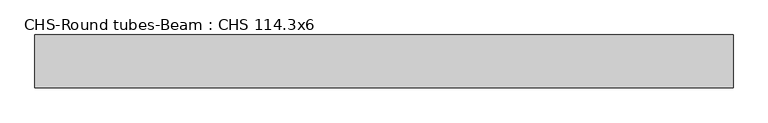
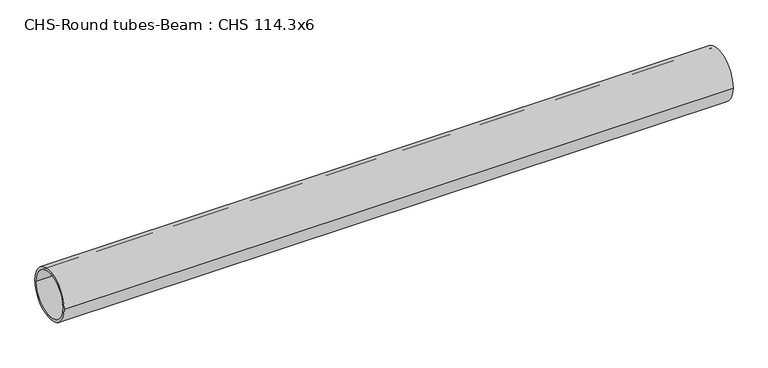
"""IFC4 building model written with IfcOpenShell, lengths in millimetres: beam geometry, CHS-Round tubes-Beam : CHS 114.3x6."""

from ifc_helpers import new_model, si_unit, point, frame, origin, origin_2d, place, context, project, spatial, circle_curve, trimmed, segment, composite_curve, outline, extrude, source, transform, mapped, element, save


def chs_round_tubes_beam_chs_114_3x6_63470ec1(model_context):
    return source(origin(), model_context, "Body", "SweptSolid", [
        extrude(outline(composite_curve([segment(trimmed(circle_curve(origin_2d(), 57.15), [point((57.15, 0.0))], [point((-57.15, 0.0))], False, "CARTESIAN"), True, "CONTINUOUS"), segment(trimmed(circle_curve(origin_2d(), 57.15), [point((-57.15, 0.0))], [point((57.15, 0.0))], False, "CARTESIAN"), True, "CONTINUOUS")], self_intersect=False), holes=[composite_curve([segment(trimmed(circle_curve(origin_2d(), 51.15), [point((51.15, 0.0))], [point((-51.15, 0.0))], True, "CARTESIAN"), True, "CONTINUOUS"), segment(trimmed(circle_curve(origin_2d(), 51.15), [point((-51.15, 0.0))], [point((51.15, 0.0))], True, "CARTESIAN"), True, "CONTINUOUS")], self_intersect=False)]), frame((-745.4775956, 0.0, 0.0), z_axis=(1.0, 0.0, 0.0), x_axis=(0.0, 1.0, 0.0)), (0.0, 0.0, 1.0), 1505.4232329),
    ])


if __name__ == "__main__":
    model = new_model("IFC4")
    model_context = context("Model", 3, world=origin())
    ifc_project = project(units=[si_unit("LENGTHUNIT", "METRE", prefix="MILLI")], contexts=[model_context])
    site = spatial("IfcSite", under=ifc_project)
    building = spatial("IfcBuilding", under=site)
    placement = place(None, origin())
    chs_round_tubes_beam_chs_114_3x6_shape = chs_round_tubes_beam_chs_114_3x6_63470ec1(model_context)
    element("IfcBeam", 1, ObjectType="CHS-Round tubes-Beam : CHS 114.3x6", at=placement, inside=building, context=model_context, shape_type="MappedRepresentation", body=[
        mapped(chs_round_tubes_beam_chs_114_3x6_shape, transform((0.0, 0.0, 0.0), x_axis=(1.0, 0.0, 0.0), y_axis=(0.0, 1.0, 0.0), z_axis=(0.0, 0.0, 1.0))),
    ])
    save(model, "model.ifc")
